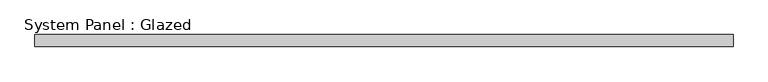
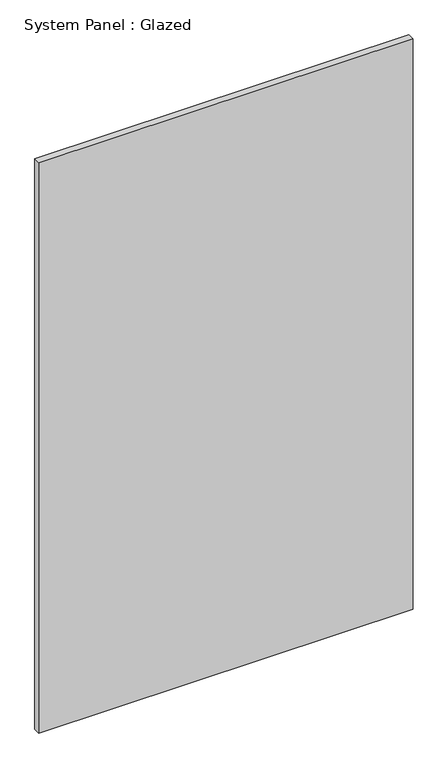
"""IFC4 building model written with IfcOpenShell, lengths in millimetres: plate geometry, System Panel : Glazed."""

from ifc_helpers import new_model, si_unit, origin, origin_with_axes, place, context, project, spatial, polyline, outline, extrude, source, transform, mapped, element, save


def system_panel_glazed_b63ff303(model_context):
    return source(origin(), model_context, "Body", "SweptSolid", [
        extrude(outline(polyline([(721.9468374, 24.5), (-721.9468374, 24.5), (-721.9468374, 49.5), (721.9468374, 49.5), (721.9468374, 24.5)])), origin_with_axes(), (0.0, 0.0, 1.0), 2325.0),
    ])


if __name__ == "__main__":
    model = new_model("IFC4")
    model_context = context("Model", 3, world=origin())
    ifc_project = project(units=[si_unit("LENGTHUNIT", "METRE", prefix="MILLI")], contexts=[model_context])
    site = spatial("IfcSite", under=ifc_project)
    building = spatial("IfcBuilding", under=site)
    placement = place(None, origin())
    system_panel_glazed_shape = system_panel_glazed_b63ff303(model_context)
    element("IfcPlate", 1, ObjectType="System Panel : Glazed", at=placement, inside=building, context=model_context, shape_type="MappedRepresentation", body=[
        mapped(system_panel_glazed_shape, transform((0.0, 0.0, 0.0), x_axis=(1.0, 0.0, 0.0), y_axis=(0.0, 1.0, 0.0), z_axis=(0.0, 0.0, 1.0))),
    ])
    save(model, "model.ifc")
